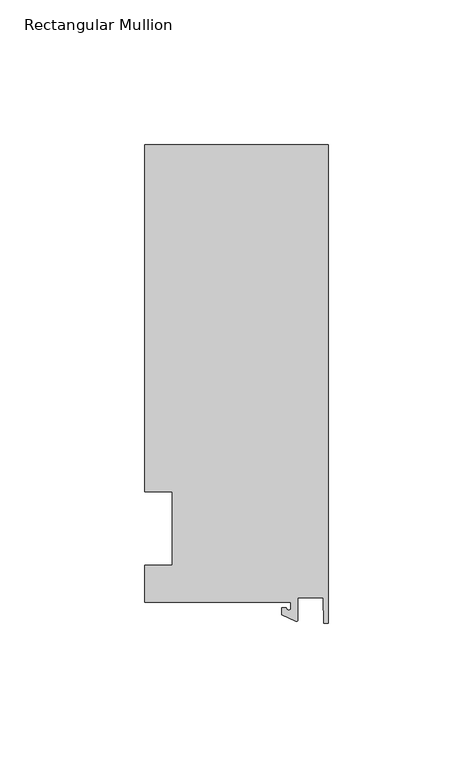
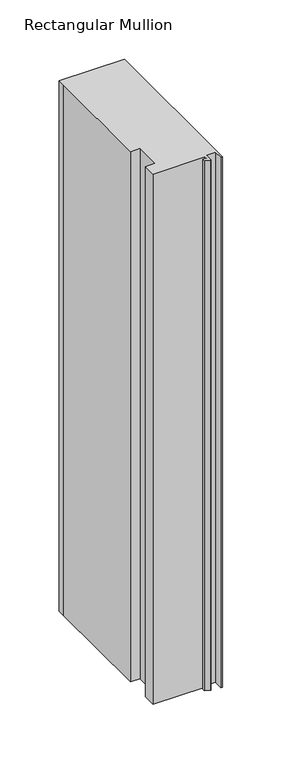
"""IFC4 building model written with IfcOpenShell, lengths in millimetres: member geometry, Rectangular Mullion."""

from ifc_helpers import new_model, si_unit, point, frame, frame_2d, origin, place, context, project, spatial, polyline, circle_curve, trimmed, segment, composite_curve, outline, extrude, source, transform, mapped, element, save


def rectangular_mullion_f6bf1598(model_context):
    return source(origin(), model_context, "Body", "SweptSolid", [
        extrude(outline(composite_curve([segment(polyline([(-12.8216721, -25.5984375), (-63.5, -25.5984375), (-63.5, -12.7), (-53.975, -12.7), (-53.975, 12.7), (-63.5, 12.7), (-63.5, 125.075512), (-63.5, 132.822512), (0.0, 132.822512), (0.0, -32.810012), (-1.5566453, -32.810012), (-1.7144124, -23.9227662), (-10.4340721, -23.9227662), (-10.4340721, -31.6795354)]), True, "CONTINUOUS"), segment(trimmed(circle_curve(frame_2d((-10.9420721, -31.6795354)), 0.508), [point((-10.4340721, -31.6795354))], [point((-11.1567622, -32.1399398))], False, "CARTESIAN"), True, "CONTINUOUS"), segment(polyline([(-11.1567622, -32.1399398), (-15.9966721, -29.8830527), (-15.9966721, -27.5208534), (-14.4091721, -27.5208534)]), True, "CONTINUOUS"), segment(trimmed(circle_curve(frame_2d((-13.6154221, -27.5208534)), 0.79375), [point((-14.4091721, -27.5208534))], [point((-12.8216721, -27.5208534))], True, "CARTESIAN"), True, "CONTINUOUS"), segment(polyline([(-12.8216721, -27.5208534), (-12.8216721, -25.5984375)]), True, "CONTINUOUS")], self_intersect=False)), frame((0.0, 0.0, -545.7391064), z_axis=(0.0, 0.0, 1.0), x_axis=(1.0, 0.0, 0.0)), (0.0, 0.0, 1.0), 545.7391064),
    ])


if __name__ == "__main__":
    model = new_model("IFC4")
    model_context = context("Model", 3, world=origin())
    ifc_project = project(units=[si_unit("LENGTHUNIT", "METRE", prefix="MILLI")], contexts=[model_context])
    site = spatial("IfcSite", under=ifc_project)
    building = spatial("IfcBuilding", under=site)
    placement = place(None, origin())
    rectangular_mullion_shape = rectangular_mullion_f6bf1598(model_context)
    element("IfcMember", 1, ObjectType="Rectangular Mullion", at=placement, inside=building, context=model_context, shape_type="MappedRepresentation", body=[
        mapped(rectangular_mullion_shape, transform((0.0, 0.0, 0.0), x_axis=(1.0, 0.0, 0.0), y_axis=(0.0, 1.0, 0.0), z_axis=(0.0, 0.0, 1.0))),
    ])
    save(model, "model.ifc")
